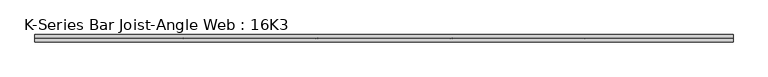
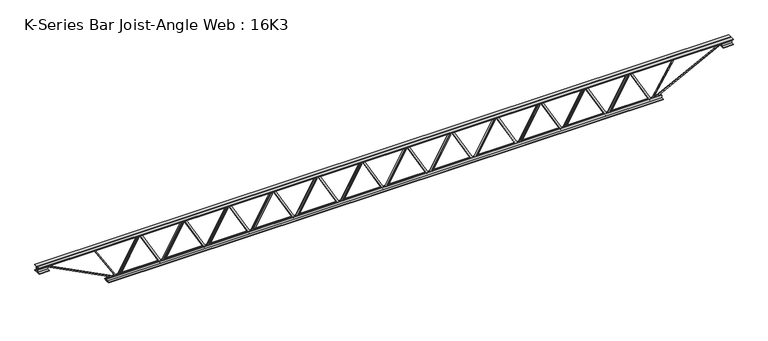
"""IFC4 building model written with IfcOpenShell, lengths in millimetres: beam geometry, K-Series Bar Joist-Angle Web : 16K3."""

from ifc_helpers import new_model, si_unit, frame, origin, place, context, project, spatial, polyline, outline, extrude, faceted_brep, source, transform, mapped, element, save


def k_series_bar_joist_angle_web_16k3_d05f6a54(model_context):
    return source(origin(), model_context, "Body", "SolidModel", [
        extrude(outline(polyline([(-4.7625, 4.7625), (-4.7625, 0.0), (-17.4625, 0.0), (-17.4625, 4.7625), (-4.7625, 4.7625)])), frame((2240.527728, 0.0, -165.1), z_axis=(-0.49060596153130787, 0.0, 0.8713815412951671), x_axis=(0.0, -1.0, 0.0)), (0.0, 0.0, 1.0), 378.9384837),
        extrude(outline(polyline([(-200.025, 2272.109375), (-180.975, 2272.109375), (-180.975, 2271.3275194), (200.025, 2056.8165819), (200.025, 2038.5484375), (180.975, 2038.5484375), (180.975, 2045.6802931), (-200.025, 2260.1912306), (-200.025, 2272.109375)])), frame((0.0, 0.0, 0.0), z_axis=(0.0, 1.0, 0.0), x_axis=(0.0, 0.0, 1.0)), (0.0, 0.0, 1.0), 4.7625),
        faceted_brep([(1817.6875, 0.0, -180.975), (1817.6875, 0.0, -200.025), (1817.6875, -4.7625, -200.025), (1817.6875, -4.7625, -180.975), (1818.4693556, 0.0, -180.975), (2032.9802931, 0.0, 200.025), (2051.2484375, 0.0, 200.025), (2051.2484375, 0.0, 180.975), (2044.1165819, 0.0, 180.975), (1829.6056444, 0.0, -200.025), (1829.6056444, -4.7625, -200.025), (1849.269147, -4.7625, -165.1), (1845.1191924, -4.7625, -162.7634891), (2031.0286715, -4.7625, 167.4365109), (2035.1786261, -4.7625, 165.1), (2044.1165819, -4.7625, 180.975), (2051.2484375, -4.7625, 180.975), (2051.2484375, -4.7625, 200.025), (2032.9802931, -4.7625, 200.025), (1818.4693556, -4.7625, -180.975), (2035.1786261, -17.4625, 165.1), (1849.269147, -17.4625, -165.1), (1845.1191924, -17.4625, -162.7634891), (2031.0286715, -17.4625, 167.4365109)], [[[0, 1, 2, 3]], [[1, 0, 4, 5, 6, 7, 8, 9]], [[2, 1, 9, 10]], [[3, 2, 10, 11, 12, 13, 14, 15, 16, 17, 18, 19]], [[0, 3, 19, 4]], [[9, 8, 15, 14, 20, 21, 11, 10]], [[5, 4, 19, 18]], [[7, 6, 17, 16]], [[8, 7, 16, 15]], [[6, 5, 18, 17]], [[21, 22, 12, 11]], [[20, 14, 13, 23]], [[22, 21, 20, 23]], [[12, 22, 23, 13]]]),
        extrude(outline(polyline([(-4.7625, 4.7625), (-4.7625, 0.0), (-17.4625, 0.0), (-17.4625, 4.7625), (-4.7625, 4.7625)])), frame((1786.105853, 0.0, -165.1), z_axis=(-0.49060596153130787, 0.0, 0.8713815412951671), x_axis=(0.0, -1.0, 0.0)), (0.0, 0.0, 1.0), 378.9384837),
        extrude(outline(polyline([(-200.025, 1817.6875), (-180.975, 1817.6875), (-180.975, 1816.9056444), (200.025, 1602.3947069), (200.025, 1584.1265625), (180.975, 1584.1265625), (180.975, 1591.2584181), (-200.025, 1805.7693556), (-200.025, 1817.6875)])), frame((0.0, 0.0, 0.0), z_axis=(0.0, 1.0, 0.0), x_axis=(0.0, 0.0, 1.0)), (0.0, 0.0, 1.0), 4.7625),
        faceted_brep([(1363.265625, 0.0, -180.975), (1363.265625, 0.0, -200.025), (1363.265625, -4.7625, -200.025), (1363.265625, -4.7625, -180.975), (1364.0474806, 0.0, -180.975), (1578.5584181, 0.0, 200.025), (1596.8265625, 0.0, 200.025), (1596.8265625, 0.0, 180.975), (1589.6947069, 0.0, 180.975), (1375.1837694, 0.0, -200.025), (1375.1837694, -4.7625, -200.025), (1394.847272, -4.7625, -165.1), (1390.6973174, -4.7625, -162.7634891), (1576.6067965, -4.7625, 167.4365109), (1580.7567511, -4.7625, 165.1), (1589.6947069, -4.7625, 180.975), (1596.8265625, -4.7625, 180.975), (1596.8265625, -4.7625, 200.025), (1578.5584181, -4.7625, 200.025), (1364.0474806, -4.7625, -180.975), (1580.7567511, -17.4625, 165.1), (1394.847272, -17.4625, -165.1), (1390.6973174, -17.4625, -162.7634891), (1576.6067965, -17.4625, 167.4365109)], [[[0, 1, 2, 3]], [[1, 0, 4, 5, 6, 7, 8, 9]], [[2, 1, 9, 10]], [[3, 2, 10, 11, 12, 13, 14, 15, 16, 17, 18, 19]], [[0, 3, 19, 4]], [[9, 8, 15, 14, 20, 21, 11, 10]], [[5, 4, 19, 18]], [[7, 6, 17, 16]], [[8, 7, 16, 15]], [[6, 5, 18, 17]], [[21, 22, 12, 11]], [[20, 14, 13, 23]], [[22, 21, 20, 23]], [[12, 22, 23, 13]]]),
        extrude(outline(polyline([(-4.7625, 4.7625), (-4.7625, 0.0), (-17.4625, 0.0), (-17.4625, 4.7625), (-4.7625, 4.7625)])), frame((1331.683978, 0.0, -165.1), z_axis=(-0.49060596153130787, 0.0, 0.8713815412951671), x_axis=(0.0, -1.0, 0.0)), (0.0, 0.0, 1.0), 378.9384837),
        extrude(outline(polyline([(-200.025, 1363.265625), (-180.975, 1363.265625), (-180.975, 1362.4837694), (200.025, 1147.9728319), (200.025, 1129.7046875), (180.975, 1129.7046875), (180.975, 1136.8365431), (-200.025, 1351.3474806), (-200.025, 1363.265625)])), frame((0.0, 0.0, 0.0), z_axis=(0.0, 1.0, 0.0), x_axis=(0.0, 0.0, 1.0)), (0.0, 0.0, 1.0), 4.7625),
        faceted_brep([(908.84375, 0.0, -180.975), (908.84375, 0.0, -200.025), (908.84375, -4.7625, -200.025), (908.84375, -4.7625, -180.975), (909.6256056, 0.0, -180.975), (1124.1365431, 0.0, 200.025), (1142.4046875, 0.0, 200.025), (1142.4046875, 0.0, 180.975), (1135.2728319, 0.0, 180.975), (920.7618944, 0.0, -200.025), (920.7618944, -4.7625, -200.025), (940.425397, -4.7625, -165.1), (936.2754424, -4.7625, -162.7634891), (1122.1849215, -4.7625, 167.4365109), (1126.3348761, -4.7625, 165.1), (1135.2728319, -4.7625, 180.975), (1142.4046875, -4.7625, 180.975), (1142.4046875, -4.7625, 200.025), (1124.1365431, -4.7625, 200.025), (909.6256056, -4.7625, -180.975), (1126.3348761, -17.4625, 165.1), (940.425397, -17.4625, -165.1), (936.2754424, -17.4625, -162.7634891), (1122.1849215, -17.4625, 167.4365109)], [[[0, 1, 2, 3]], [[1, 0, 4, 5, 6, 7, 8, 9]], [[2, 1, 9, 10]], [[3, 2, 10, 11, 12, 13, 14, 15, 16, 17, 18, 19]], [[0, 3, 19, 4]], [[9, 8, 15, 14, 20, 21, 11, 10]], [[5, 4, 19, 18]], [[7, 6, 17, 16]], [[8, 7, 16, 15]], [[6, 5, 18, 17]], [[21, 22, 12, 11]], [[20, 14, 13, 23]], [[22, 21, 20, 23]], [[12, 22, 23, 13]]]),
        extrude(outline(polyline([(-4.7625, 4.7625), (-4.7625, 0.0), (-17.4625, 0.0), (-17.4625, 4.7625), (-4.7625, 4.7625)])), frame((877.262103, 0.0, -165.1), z_axis=(-0.49060596153130787, 0.0, 0.8713815412951671), x_axis=(0.0, -1.0, 0.0)), (0.0, 0.0, 1.0), 378.9384837),
        extrude(outline(polyline([(-200.025, 908.84375), (-180.975, 908.84375), (-180.975, 908.0618944), (200.025, 693.5509569), (200.025, 675.2828125), (180.975, 675.2828125), (180.975, 682.4146681), (-200.025, 896.9256056), (-200.025, 908.84375)])), frame((0.0, 0.0, 0.0), z_axis=(0.0, 1.0, 0.0), x_axis=(0.0, 0.0, 1.0)), (0.0, 0.0, 1.0), 4.7625),
        faceted_brep([(454.421875, 0.0, -180.975), (454.421875, 0.0, -200.025), (454.421875, -4.7625, -200.025), (454.421875, -4.7625, -180.975), (455.2037306, 0.0, -180.975), (669.7146681, 0.0, 200.025), (687.9828125, 0.0, 200.025), (687.9828125, 0.0, 180.975), (680.8509569, 0.0, 180.975), (466.3400194, 0.0, -200.025), (466.3400194, -4.7625, -200.025), (486.003522, -4.7625, -165.1), (481.8535674, -4.7625, -162.7634891), (667.7630465, -4.7625, 167.4365109), (671.9130011, -4.7625, 165.1), (680.8509569, -4.7625, 180.975), (687.9828125, -4.7625, 180.975), (687.9828125, -4.7625, 200.025), (669.7146681, -4.7625, 200.025), (455.2037306, -4.7625, -180.975), (671.9130011, -17.4625, 165.1), (486.003522, -17.4625, -165.1), (481.8535674, -17.4625, -162.7634891), (667.7630465, -17.4625, 167.4365109)], [[[0, 1, 2, 3]], [[1, 0, 4, 5, 6, 7, 8, 9]], [[2, 1, 9, 10]], [[3, 2, 10, 11, 12, 13, 14, 15, 16, 17, 18, 19]], [[0, 3, 19, 4]], [[9, 8, 15, 14, 20, 21, 11, 10]], [[5, 4, 19, 18]], [[7, 6, 17, 16]], [[8, 7, 16, 15]], [[6, 5, 18, 17]], [[21, 22, 12, 11]], [[20, 14, 13, 23]], [[22, 21, 20, 23]], [[12, 22, 23, 13]]]),
        extrude(outline(polyline([(-4.7625, 4.7625), (-4.7625, 0.0), (-17.4625, 0.0), (-17.4625, 4.7625), (-4.7625, 4.7625)])), frame((422.840228, 0.0, -165.1), z_axis=(-0.49060596153130787, 0.0, 0.8713815412951671), x_axis=(0.0, -1.0, 0.0)), (0.0, 0.0, 1.0), 378.9384837),
        extrude(outline(polyline([(-200.025, 454.421875), (-180.975, 454.421875), (-180.975, 453.6400194), (200.025, 239.1290819), (200.025, 220.8609375), (180.975, 220.8609375), (180.975, 227.9927931), (-200.025, 442.5037306), (-200.025, 454.421875)])), frame((0.0, 0.0, 0.0), z_axis=(0.0, 1.0, 0.0), x_axis=(0.0, 0.0, 1.0)), (0.0, 0.0, 1.0), 4.7625),
        faceted_brep([(0.0, 0.0, -180.975), (0.0, 0.0, -200.025), (0.0, -4.7625, -200.025), (0.0, -4.7625, -180.975), (0.7818556, 0.0, -180.975), (215.2927931, 0.0, 200.025), (233.5609375, 0.0, 200.025), (233.5609375, 0.0, 180.975), (226.4290819, 0.0, 180.975), (11.9181444, 0.0, -200.025), (11.9181444, -4.7625, -200.025), (31.581647, -4.7625, -165.1), (27.4316924, -4.7625, -162.7634891), (213.3411715, -4.7625, 167.4365109), (217.4911261, -4.7625, 165.1), (226.4290819, -4.7625, 180.975), (233.5609375, -4.7625, 180.975), (233.5609375, -4.7625, 200.025), (215.2927931, -4.7625, 200.025), (0.7818556, -4.7625, -180.975), (217.4911261, -17.4625, 165.1), (31.581647, -17.4625, -165.1), (27.4316924, -17.4625, -162.7634891), (213.3411715, -17.4625, 167.4365109)], [[[0, 1, 2, 3]], [[1, 0, 4, 5, 6, 7, 8, 9]], [[2, 1, 9, 10]], [[3, 2, 10, 11, 12, 13, 14, 15, 16, 17, 18, 19]], [[0, 3, 19, 4]], [[9, 8, 15, 14, 20, 21, 11, 10]], [[5, 4, 19, 18]], [[7, 6, 17, 16]], [[8, 7, 16, 15]], [[6, 5, 18, 17]], [[21, 22, 12, 11]], [[20, 14, 13, 23]], [[22, 21, 20, 23]], [[12, 22, 23, 13]]]),
        extrude(outline(polyline([(-4.7625, 4.7625), (-4.7625, 0.0), (-17.4625, 0.0), (-17.4625, 4.7625), (-4.7625, 4.7625)])), frame((-31.581647, 0.0, -165.1), z_axis=(-0.49060596153130787, 0.0, 0.8713815412951671), x_axis=(0.0, -1.0, 0.0)), (0.0, 0.0, 1.0), 378.9384837),
        extrude(outline(polyline([(-200.025, 0.0), (-180.975, 0.0), (-180.975, -0.7818556), (200.025, -215.2927931), (200.025, -233.5609375), (180.975, -233.5609375), (180.975, -226.4290819), (-200.025, -11.9181444), (-200.025, 0.0)])), frame((0.0, 0.0, 0.0), z_axis=(0.0, 1.0, 0.0), x_axis=(0.0, 0.0, 1.0)), (0.0, 0.0, 1.0), 4.7625),
        faceted_brep([(-454.421875, 0.0, -180.975), (-454.421875, 0.0, -200.025), (-454.421875, -4.7625, -200.025), (-454.421875, -4.7625, -180.975), (-453.6400194, 0.0, -180.975), (-239.1290819, 0.0, 200.025), (-220.8609375, 0.0, 200.025), (-220.8609375, 0.0, 180.975), (-227.9927931, 0.0, 180.975), (-442.5037306, 0.0, -200.025), (-442.5037306, -4.7625, -200.025), (-422.840228, -4.7625, -165.1), (-426.9901826, -4.7625, -162.7634891), (-241.0807035, -4.7625, 167.4365109), (-236.9307489, -4.7625, 165.1), (-227.9927931, -4.7625, 180.975), (-220.8609375, -4.7625, 180.975), (-220.8609375, -4.7625, 200.025), (-239.1290819, -4.7625, 200.025), (-453.6400194, -4.7625, -180.975), (-236.9307489, -17.4625, 165.1), (-422.840228, -17.4625, -165.1), (-426.9901826, -17.4625, -162.7634891), (-241.0807035, -17.4625, 167.4365109)], [[[0, 1, 2, 3]], [[1, 0, 4, 5, 6, 7, 8, 9]], [[2, 1, 9, 10]], [[3, 2, 10, 11, 12, 13, 14, 15, 16, 17, 18, 19]], [[0, 3, 19, 4]], [[9, 8, 15, 14, 20, 21, 11, 10]], [[5, 4, 19, 18]], [[7, 6, 17, 16]], [[8, 7, 16, 15]], [[6, 5, 18, 17]], [[21, 22, 12, 11]], [[20, 14, 13, 23]], [[22, 21, 20, 23]], [[12, 22, 23, 13]]]),
        extrude(outline(polyline([(-4.7625, 4.7625), (-4.7625, 0.0), (-17.4625, 0.0), (-17.4625, 4.7625), (-4.7625, 4.7625)])), frame((-486.003522, 0.0, -165.1), z_axis=(-0.49060596153130787, 0.0, 0.8713815412951671), x_axis=(0.0, -1.0, 0.0)), (0.0, 0.0, 1.0), 378.9384837),
        extrude(outline(polyline([(-200.025, -454.421875), (-180.975, -454.421875), (-180.975, -455.2037306), (200.025, -669.7146681), (200.025, -687.9828125), (180.975, -687.9828125), (180.975, -680.8509569), (-200.025, -466.3400194), (-200.025, -454.421875)])), frame((0.0, 0.0, 0.0), z_axis=(0.0, 1.0, 0.0), x_axis=(0.0, 0.0, 1.0)), (0.0, 0.0, 1.0), 4.7625),
        faceted_brep([(-908.84375, 0.0, -180.975), (-908.84375, 0.0, -200.025), (-908.84375, -4.7625, -200.025), (-908.84375, -4.7625, -180.975), (-908.0618944, 0.0, -180.975), (-693.5509569, 0.0, 200.025), (-675.2828125, 0.0, 200.025), (-675.2828125, 0.0, 180.975), (-682.4146681, 0.0, 180.975), (-896.9256056, 0.0, -200.025), (-896.9256056, -4.7625, -200.025), (-877.262103, -4.7625, -165.1), (-881.4120576, -4.7625, -162.7634891), (-695.5025785, -4.7625, 167.4365109), (-691.3526239, -4.7625, 165.1), (-682.4146681, -4.7625, 180.975), (-675.2828125, -4.7625, 180.975), (-675.2828125, -4.7625, 200.025), (-693.5509569, -4.7625, 200.025), (-908.0618944, -4.7625, -180.975), (-691.3526239, -17.4625, 165.1), (-877.262103, -17.4625, -165.1), (-881.4120576, -17.4625, -162.7634891), (-695.5025785, -17.4625, 167.4365109)], [[[0, 1, 2, 3]], [[1, 0, 4, 5, 6, 7, 8, 9]], [[2, 1, 9, 10]], [[3, 2, 10, 11, 12, 13, 14, 15, 16, 17, 18, 19]], [[0, 3, 19, 4]], [[9, 8, 15, 14, 20, 21, 11, 10]], [[5, 4, 19, 18]], [[7, 6, 17, 16]], [[8, 7, 16, 15]], [[6, 5, 18, 17]], [[21, 22, 12, 11]], [[20, 14, 13, 23]], [[22, 21, 20, 23]], [[12, 22, 23, 13]]]),
        extrude(outline(polyline([(-4.7625, 4.7625), (-4.7625, 0.0), (-17.4625, 0.0), (-17.4625, 4.7625), (-4.7625, 4.7625)])), frame((-940.425397, 0.0, -165.1), z_axis=(-0.49060596153130787, 0.0, 0.8713815412951671), x_axis=(0.0, -1.0, 0.0)), (0.0, 0.0, 1.0), 378.9384837),
        extrude(outline(polyline([(-200.025, -908.84375), (-180.975, -908.84375), (-180.975, -909.6256056), (200.025, -1124.1365431), (200.025, -1142.4046875), (180.975, -1142.4046875), (180.975, -1135.2728319), (-200.025, -920.7618944), (-200.025, -908.84375)])), frame((0.0, 0.0, 0.0), z_axis=(0.0, 1.0, 0.0), x_axis=(0.0, 0.0, 1.0)), (0.0, 0.0, 1.0), 4.7625),
        faceted_brep([(-1363.265625, 0.0, -180.975), (-1363.265625, 0.0, -200.025), (-1363.265625, -4.7625, -200.025), (-1363.265625, -4.7625, -180.975), (-1362.4837694, 0.0, -180.975), (-1147.9728319, 0.0, 200.025), (-1129.7046875, 0.0, 200.025), (-1129.7046875, 0.0, 180.975), (-1136.8365431, 0.0, 180.975), (-1351.3474806, 0.0, -200.025), (-1351.3474806, -4.7625, -200.025), (-1331.683978, -4.7625, -165.1), (-1335.8339326, -4.7625, -162.7634891), (-1149.9244535, -4.7625, 167.4365109), (-1145.7744989, -4.7625, 165.1), (-1136.8365431, -4.7625, 180.975), (-1129.7046875, -4.7625, 180.975), (-1129.7046875, -4.7625, 200.025), (-1147.9728319, -4.7625, 200.025), (-1362.4837694, -4.7625, -180.975), (-1145.7744989, -17.4625, 165.1), (-1331.683978, -17.4625, -165.1), (-1335.8339326, -17.4625, -162.7634891), (-1149.9244535, -17.4625, 167.4365109)], [[[0, 1, 2, 3]], [[1, 0, 4, 5, 6, 7, 8, 9]], [[2, 1, 9, 10]], [[3, 2, 10, 11, 12, 13, 14, 15, 16, 17, 18, 19]], [[0, 3, 19, 4]], [[9, 8, 15, 14, 20, 21, 11, 10]], [[5, 4, 19, 18]], [[7, 6, 17, 16]], [[8, 7, 16, 15]], [[6, 5, 18, 17]], [[21, 22, 12, 11]], [[20, 14, 13, 23]], [[22, 21, 20, 23]], [[12, 22, 23, 13]]]),
        extrude(outline(polyline([(-4.7625, 4.7625), (-4.7625, 0.0), (-17.4625, 0.0), (-17.4625, 4.7625), (-4.7625, 4.7625)])), frame((-1394.847272, 0.0, -165.1), z_axis=(-0.49060596153130787, 0.0, 0.8713815412951671), x_axis=(0.0, -1.0, 0.0)), (0.0, 0.0, 1.0), 378.9384837),
        extrude(outline(polyline([(-200.025, -1363.265625), (-180.975, -1363.265625), (-180.975, -1364.0474806), (200.025, -1578.5584181), (200.025, -1596.8265625), (180.975, -1596.8265625), (180.975, -1589.6947069), (-200.025, -1375.1837694), (-200.025, -1363.265625)])), frame((0.0, 0.0, 0.0), z_axis=(0.0, 1.0, 0.0), x_axis=(0.0, 0.0, 1.0)), (0.0, 0.0, 1.0), 4.7625),
        faceted_brep([(-1817.6875, 0.0, -180.975), (-1817.6875, 0.0, -200.025), (-1817.6875, -4.7625, -200.025), (-1817.6875, -4.7625, -180.975), (-1816.9056444, 0.0, -180.975), (-1602.3947069, 0.0, 200.025), (-1584.1265625, 0.0, 200.025), (-1584.1265625, 0.0, 180.975), (-1591.2584181, 0.0, 180.975), (-1805.7693556, 0.0, -200.025), (-1805.7693556, -4.7625, -200.025), (-1786.105853, -4.7625, -165.1), (-1790.2558076, -4.7625, -162.7634891), (-1604.3463285, -4.7625, 167.4365109), (-1600.1963739, -4.7625, 165.1), (-1591.2584181, -4.7625, 180.975), (-1584.1265625, -4.7625, 180.975), (-1584.1265625, -4.7625, 200.025), (-1602.3947069, -4.7625, 200.025), (-1816.9056444, -4.7625, -180.975), (-1600.1963739, -17.4625, 165.1), (-1786.105853, -17.4625, -165.1), (-1790.2558076, -17.4625, -162.7634891), (-1604.3463285, -17.4625, 167.4365109)], [[[0, 1, 2, 3]], [[1, 0, 4, 5, 6, 7, 8, 9]], [[2, 1, 9, 10]], [[3, 2, 10, 11, 12, 13, 14, 15, 16, 17, 18, 19]], [[0, 3, 19, 4]], [[9, 8, 15, 14, 20, 21, 11, 10]], [[5, 4, 19, 18]], [[7, 6, 17, 16]], [[8, 7, 16, 15]], [[6, 5, 18, 17]], [[21, 22, 12, 11]], [[20, 14, 13, 23]], [[22, 21, 20, 23]], [[12, 22, 23, 13]]]),
        extrude(outline(polyline([(-4.7625, 4.7625), (-4.7625, 0.0), (-17.4625, 0.0), (-17.4625, 4.7625), (-4.7625, 4.7625)])), frame((-1849.269147, 0.0, -165.1), z_axis=(-0.49060596153130787, 0.0, 0.8713815412951671), x_axis=(0.0, -1.0, 0.0)), (0.0, 0.0, 1.0), 378.9384837),
        extrude(outline(polyline([(-200.025, -1817.6875), (-180.975, -1817.6875), (-180.975, -1818.4693556), (200.025, -2032.9802931), (200.025, -2051.2484375), (180.975, -2051.2484375), (180.975, -2044.1165819), (-200.025, -1829.6056444), (-200.025, -1817.6875)])), frame((0.0, 0.0, 0.0), z_axis=(0.0, 1.0, 0.0), x_axis=(0.0, 0.0, 1.0)), (0.0, 0.0, 1.0), 4.7625),
        faceted_brep([(-2272.109375, 0.0, -180.975), (-2272.109375, 0.0, -200.025), (-2272.109375, -4.7625, -200.025), (-2272.109375, -4.7625, -180.975), (-2271.3275194, 0.0, -180.975), (-2056.8165819, 0.0, 200.025), (-2038.5484375, 0.0, 200.025), (-2038.5484375, 0.0, 180.975), (-2045.6802931, 0.0, 180.975), (-2260.1912306, 0.0, -200.025), (-2260.1912306, -4.7625, -200.025), (-2240.527728, -4.7625, -165.1), (-2244.6776826, -4.7625, -162.7634891), (-2058.7682035, -4.7625, 167.4365109), (-2054.6182489, -4.7625, 165.1), (-2045.6802931, -4.7625, 180.975), (-2038.5484375, -4.7625, 180.975), (-2038.5484375, -4.7625, 200.025), (-2056.8165819, -4.7625, 200.025), (-2271.3275194, -4.7625, -180.975), (-2054.6182489, -17.4625, 165.1), (-2240.527728, -17.4625, -165.1), (-2244.6776826, -17.4625, -162.7634891), (-2058.7682035, -17.4625, 167.4365109)], [[[0, 1, 2, 3]], [[1, 0, 4, 5, 6, 7, 8, 9]], [[2, 1, 9, 10]], [[3, 2, 10, 11, 12, 13, 14, 15, 16, 17, 18, 19]], [[0, 3, 19, 4]], [[9, 8, 15, 14, 20, 21, 11, 10]], [[5, 4, 19, 18]], [[7, 6, 17, 16]], [[8, 7, 16, 15]], [[6, 5, 18, 17]], [[21, 22, 12, 11]], [[20, 14, 13, 23]], [[22, 21, 20, 23]], [[12, 22, 23, 13]]]),
        extrude(outline(polyline([(-4.7625, 4.7625), (-4.7625, 0.0), (-17.4625, 0.0), (-17.4625, 4.7625), (-4.7625, 4.7625)])), frame((2694.949603, 0.0, -165.1), z_axis=(-0.49060596153130787, 0.0, 0.8713815412951671), x_axis=(0.0, -1.0, 0.0)), (0.0, 0.0, 1.0), 378.9384837),
        extrude(outline(polyline([(-200.025, 2726.53125), (-180.975, 2726.53125), (-180.975, 2725.7493944), (200.025, 2511.2384569), (200.025, 2492.9703125), (180.975, 2492.9703125), (180.975, 2500.1021681), (-200.025, 2714.6131056), (-200.025, 2726.53125)])), frame((0.0, 0.0, 0.0), z_axis=(0.0, 1.0, 0.0), x_axis=(0.0, 0.0, 1.0)), (0.0, 0.0, 1.0), 4.7625),
        faceted_brep([(2272.109375, 0.0, -180.975), (2272.109375, 0.0, -200.025), (2272.109375, -4.7625, -200.025), (2272.109375, -4.7625, -180.975), (2272.8912306, 0.0, -180.975), (2487.4021681, 0.0, 200.025), (2505.6703125, 0.0, 200.025), (2505.6703125, 0.0, 180.975), (2498.5384569, 0.0, 180.975), (2284.0275194, 0.0, -200.025), (2284.0275194, -4.7625, -200.025), (2303.691022, -4.7625, -165.1), (2299.5410674, -4.7625, -162.7634891), (2485.4505465, -4.7625, 167.4365109), (2489.6005011, -4.7625, 165.1), (2498.5384569, -4.7625, 180.975), (2505.6703125, -4.7625, 180.975), (2505.6703125, -4.7625, 200.025), (2487.4021681, -4.7625, 200.025), (2272.8912306, -4.7625, -180.975), (2489.6005011, -17.4625, 165.1), (2303.691022, -17.4625, -165.1), (2299.5410674, -17.4625, -162.7634891), (2485.4505465, -17.4625, 167.4365109)], [[[0, 1, 2, 3]], [[1, 0, 4, 5, 6, 7, 8, 9]], [[2, 1, 9, 10]], [[3, 2, 10, 11, 12, 13, 14, 15, 16, 17, 18, 19]], [[0, 3, 19, 4]], [[9, 8, 15, 14, 20, 21, 11, 10]], [[5, 4, 19, 18]], [[7, 6, 17, 16]], [[8, 7, 16, 15]], [[6, 5, 18, 17]], [[21, 22, 12, 11]], [[20, 14, 13, 23]], [[22, 21, 20, 23]], [[12, 22, 23, 13]]]),
        extrude(outline(polyline([(-4.7625, 4.7625), (-4.7625, 0.0), (-17.4625, 0.0), (-17.4625, 4.7625), (-4.7625, 4.7625)])), frame((-2303.691022, 0.0, -165.1), z_axis=(-0.49060596153130787, 0.0, 0.8713815412951671), x_axis=(0.0, -1.0, 0.0)), (0.0, 0.0, 1.0), 378.9384837),
        extrude(outline(polyline([(-200.025, -2272.109375), (-180.975, -2272.109375), (-180.975, -2272.8912306), (200.025, -2487.4021681), (200.025, -2505.6703125), (180.975, -2505.6703125), (180.975, -2498.5384569), (-200.025, -2284.0275194), (-200.025, -2272.109375)])), frame((0.0, 0.0, 0.0), z_axis=(0.0, 1.0, 0.0), x_axis=(0.0, 0.0, 1.0)), (0.0, 0.0, 1.0), 4.7625),
        faceted_brep([(-2726.53125, 0.0, -180.975), (-2726.53125, 0.0, -200.025), (-2726.53125, -4.7625, -200.025), (-2726.53125, -4.7625, -180.975), (-2725.7493944, 0.0, -180.975), (-2511.2384569, 0.0, 200.025), (-2492.9703125, 0.0, 200.025), (-2492.9703125, 0.0, 180.975), (-2500.1021681, 0.0, 180.975), (-2714.6131056, 0.0, -200.025), (-2714.6131056, -4.7625, -200.025), (-2694.949603, -4.7625, -165.1), (-2699.0995576, -4.7625, -162.7634891), (-2513.1900785, -4.7625, 167.4365109), (-2509.0401239, -4.7625, 165.1), (-2500.1021681, -4.7625, 180.975), (-2492.9703125, -4.7625, 180.975), (-2492.9703125, -4.7625, 200.025), (-2511.2384569, -4.7625, 200.025), (-2725.7493944, -4.7625, -180.975), (-2509.0401239, -17.4625, 165.1), (-2694.949603, -17.4625, -165.1), (-2699.0995576, -17.4625, -162.7634891), (-2513.1900785, -17.4625, 167.4365109)], [[[0, 1, 2, 3]], [[1, 0, 4, 5, 6, 7, 8, 9]], [[2, 1, 9, 10]], [[3, 2, 10, 11, 12, 13, 14, 15, 16, 17, 18, 19]], [[0, 3, 19, 4]], [[9, 8, 15, 14, 20, 21, 11, 10]], [[5, 4, 19, 18]], [[7, 6, 17, 16]], [[8, 7, 16, 15]], [[6, 5, 18, 17]], [[21, 22, 12, 11]], [[20, 14, 13, 23]], [[22, 21, 20, 23]], [[12, 22, 23, 13]]]),
        extrude(outline(polyline([(4.7625, 203.2), (36.5125, 203.2), (36.5125, 196.85), (11.1125, 196.85), (11.1125, 171.45), (4.7625, 171.45), (4.7625, 203.2)])), frame((-3539.33125, 0.0, 0.0), z_axis=(1.0, 0.0, 0.0), x_axis=(0.0, 1.0, 0.0)), (0.0, 0.0, 1.0), 7078.6625),
        extrude(outline(polyline([(-4.7625, 203.2), (-4.7625, 171.45), (-11.1125, 171.45), (-11.1125, 196.85), (-36.5125, 196.85), (-36.5125, 203.2), (-4.7625, 203.2)])), frame((-3539.33125, 0.0, 0.0), z_axis=(1.0, 0.0, 0.0), x_axis=(0.0, 1.0, 0.0)), (0.0, 0.0, 1.0), 7078.6625),
        extrude(outline(polyline([(-4.7625, 139.7), (-36.5125, 139.7), (-36.5125, 146.05), (-11.1125, 146.05), (-11.1125, 171.45), (-4.7625, 171.45), (-4.7625, 139.7)])), frame((-3539.33125, 0.0, 0.0), z_axis=(1.0, 0.0, 0.0), x_axis=(0.0, 1.0, 0.0)), (0.0, 0.0, 1.0), 101.6),
        extrude(outline(polyline([(36.5125, 139.7), (4.7625, 139.7), (4.7625, 171.45), (11.1125, 171.45), (11.1125, 146.05), (36.5125, 146.05), (36.5125, 139.7)])), frame((-3539.33125, 0.0, 0.0), z_axis=(1.0, 0.0, 0.0), x_axis=(0.0, 1.0, 0.0)), (0.0, 0.0, 1.0), 101.6),
        extrude(outline(polyline([(4.7625, 139.7), (4.7625, 171.45), (11.1125, 171.45), (11.1125, 146.05), (36.5125, 146.05), (36.5125, 139.7), (4.7625, 139.7)])), frame((3437.73125, 0.0, 0.0), z_axis=(1.0, 0.0, 0.0), x_axis=(0.0, 1.0, 0.0)), (0.0, 0.0, 1.0), 101.6),
        extrude(outline(polyline([(-4.7625, 139.7), (-36.5125, 139.7), (-36.5125, 146.05), (-11.1125, 146.05), (-11.1125, 171.45), (-4.7625, 171.45), (-4.7625, 139.7)])), frame((3437.73125, 0.0, 0.0), z_axis=(1.0, 0.0, 0.0), x_axis=(0.0, 1.0, 0.0)), (0.0, 0.0, 1.0), 101.6),
        extrude(outline(polyline([(4.7625, -203.2), (4.7625, -171.45), (11.1125, -171.45), (11.1125, -196.85), (36.5125, -196.85), (36.5125, -203.2), (4.7625, -203.2)])), frame((-2828.13125, 0.0, 0.0), z_axis=(1.0, 0.0, 0.0), x_axis=(0.0, 1.0, 0.0)), (0.0, 0.0, 1.0), 5656.2625),
        extrude(outline(polyline([(-4.7625, -203.2), (-36.5125, -203.2), (-36.5125, -196.85), (-11.1125, -196.85), (-11.1125, -171.45), (-4.7625, -171.45), (-4.7625, -203.2)])), frame((-2828.13125, 0.0, 0.0), z_axis=(1.0, 0.0, 0.0), x_axis=(0.0, 1.0, 0.0)), (0.0, 0.0, 1.0), 5656.2625),
        extrude(outline(polyline([(4.7625, 4.7625), (4.7625, -4.7625), (-4.7625, -4.7625), (-4.7625, 4.7625), (4.7625, 4.7625)])), frame((2726.53125, 0.0, -196.85), z_axis=(0.52504372947595, 0.0, 0.8510752505730533), x_axis=(0.0, -1.0, 0.0)), (0.0, 0.0, 1.0), 432.7466928),
        extrude(outline(polyline([(4.7625, 4.7625), (4.7625, -4.7625), (-4.7625, -4.7625), (-4.7625, 4.7625), (4.7625, 4.7625)])), frame((-2726.53125, 0.0, -196.85), z_axis=(-0.5250437294759197, 0.0, 0.851075250573072), x_axis=(0.0, -1.0, 0.0)), (0.0, 0.0, 1.0), 432.7466928),
        extrude(outline(polyline([(0.0, -9.525), (0.0, 0.0), (800.9059433, 0.0), (800.9059433, -9.525), (0.0, -9.525)])), frame((3439.9213059, -4.7625, 167.2209266), z_axis=(-0.4598542476610158, 0.0, 0.887994409277514), x_axis=(-0.887994409277514, 0.0, -0.4598542476610158)), (0.0, 0.0, 1.0), 9.525),
        extrude(outline(polyline([(0.0, -9.525), (0.0, 0.0), (800.9059433, 0.0), (800.9059433, -9.525), (0.0, -9.525)])), frame((-3439.9213059, 4.7625, 167.2209266), z_axis=(0.4598542476610131, 0.0, 0.8879944092775154), x_axis=(0.8879944092775154, 0.0, -0.4598542476610131)), (0.0, 0.0, 1.0), 9.525),
    ])


if __name__ == "__main__":
    model = new_model("IFC4")
    model_context = context("Model", 3, world=origin())
    ifc_project = project(units=[si_unit("LENGTHUNIT", "METRE", prefix="MILLI")], contexts=[model_context])
    site = spatial("IfcSite", under=ifc_project)
    building = spatial("IfcBuilding", under=site)
    placement = place(None, origin())
    k_series_bar_joist_angle_web_16k3_shape = k_series_bar_joist_angle_web_16k3_d05f6a54(model_context)
    element("IfcBeam", 1, ObjectType="K-Series Bar Joist-Angle Web : 16K3", at=placement, inside=building, context=model_context, shape_type="MappedRepresentation", body=[
        mapped(k_series_bar_joist_angle_web_16k3_shape, transform((0.0, 0.0, 0.0), x_axis=(1.0, 0.0, 0.0), y_axis=(0.0, 1.0, 0.0), z_axis=(0.0, 0.0, 1.0))),
    ])
    save(model, "model.ifc")
